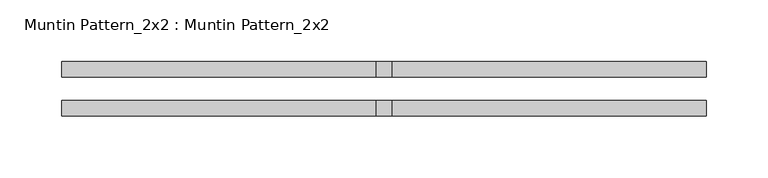
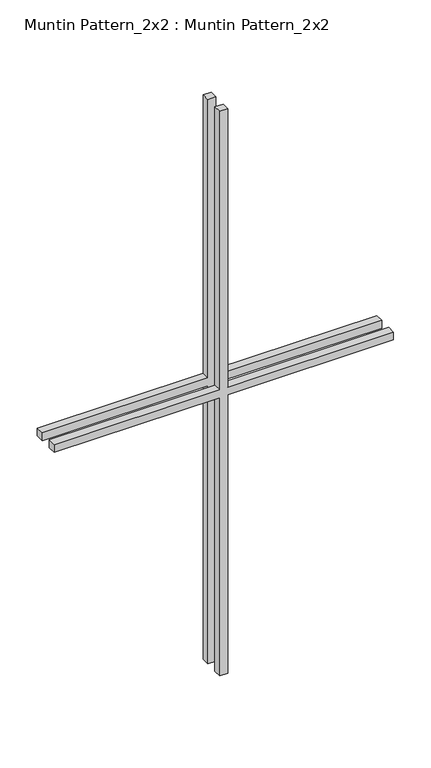
"""IFC4 building model written with IfcOpenShell, lengths in millimetres: proxy geometry, Muntin Pattern_2x2 : Muntin Pattern_2x2."""

from ifc_helpers import new_model, si_unit, frame, origin, place, context, project, spatial, polyline, outline, extrude, source, transform, mapped, element, save


def muntin_pattern_2x2_muntin_pattern_2x2_94bf4716(model_context):
    return source(origin(), model_context, "Body", "SweptSolid", [
        extrude(outline(polyline([(466.725, -6.35), (466.725, -261.9375), (454.025, -261.9375), (454.025, -6.35), (0.0, -6.35), (0.0, 6.35), (454.025, 6.35), (454.025, 261.9375), (466.725, 261.9375), (466.725, 6.35), (920.75, 6.35), (920.75, -6.35), (466.725, -6.35)])), frame((0.0, 9.525, 0.0), z_axis=(0.0, 1.0, 0.0), x_axis=(0.0, 0.0, 1.0)), (0.0, 0.0, 1.0), 12.7),
        extrude(outline(polyline([(466.725, -6.35), (466.725, -261.9375), (454.025, -261.9375), (454.025, -6.35), (0.0, -6.35), (0.0, 6.35), (454.025, 6.35), (454.025, 261.9375), (466.725, 261.9375), (466.725, 6.35), (920.75, 6.35), (920.75, -6.35), (466.725, -6.35)])), frame((0.0, -22.225, 0.0), z_axis=(0.0, 1.0, 0.0), x_axis=(0.0, 0.0, 1.0)), (0.0, 0.0, 1.0), 12.7),
    ])


if __name__ == "__main__":
    model = new_model("IFC4")
    model_context = context("Model", 3, world=origin())
    ifc_project = project(units=[si_unit("LENGTHUNIT", "METRE", prefix="MILLI")], contexts=[model_context])
    site = spatial("IfcSite", under=ifc_project)
    building = spatial("IfcBuilding", under=site)
    placement = place(None, origin())
    muntin_pattern_2x2_muntin_pattern_2x2_shape = muntin_pattern_2x2_muntin_pattern_2x2_94bf4716(model_context)
    element("IfcBuildingElementProxy", 1, Name="Muntin Pattern_2x2 : Muntin Pattern_2x2", ObjectType="Muntin Pattern_2x2 : Muntin Pattern_2x2", at=placement, inside=building, context=model_context, shape_type="MappedRepresentation", body=[
        mapped(muntin_pattern_2x2_muntin_pattern_2x2_shape, transform((0.0, 0.0, 0.0), x_axis=(1.0, 0.0, 0.0), y_axis=(0.0, 1.0, 0.0), z_axis=(0.0, 0.0, 1.0))),
    ])
    save(model, "model.ifc")
